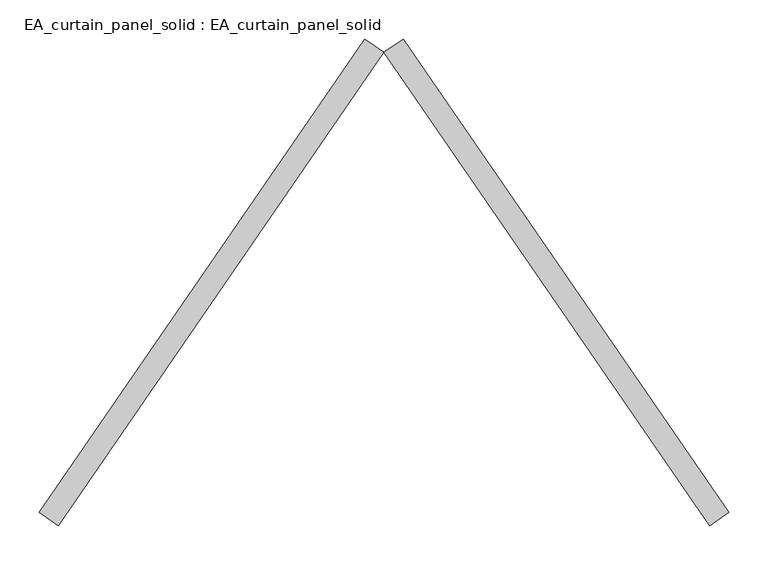
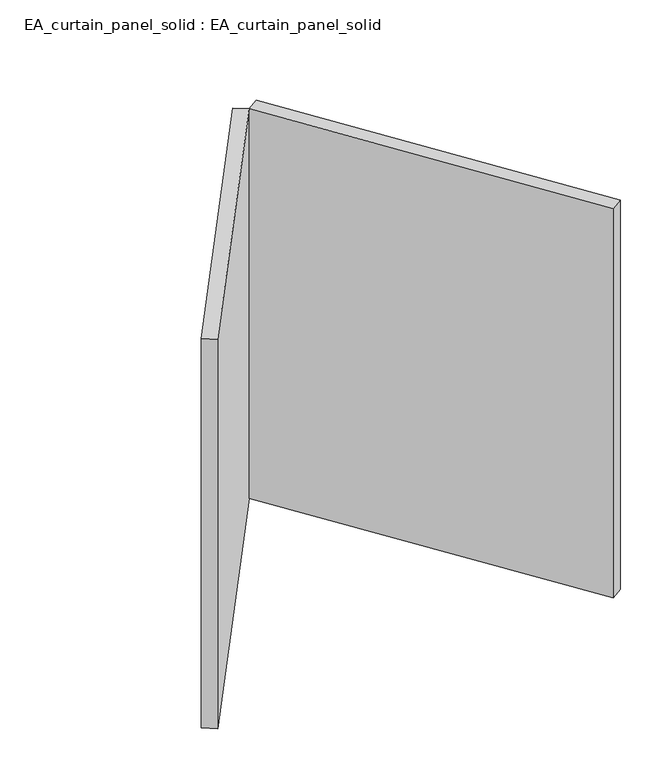
"""IFC4 building model written with IfcOpenShell, lengths in millimetres: plate geometry, EA_curtain_panel_solid : EA_curtain_panel_solid."""

from ifc_helpers import new_model, si_unit, origin, origin_with_axes, place, context, project, spatial, polyline, outline, extrude, source, transform, mapped, element, save


def ea_curtain_panel_solid_ea_curtain_panel_solid_a85a2056(model_context):
    return source(origin(), model_context, "Body", "SweptSolid", [
        extrude(outline(polyline([(-269.2752801, 605.7556365), (147.0, 0.0), (122.2752801, -16.9908278), (-294.0, 588.7648087), (-269.2752801, 605.7556365)])), origin_with_axes(), (0.0, 0.0, 1.0), 866.6666667),
        extrude(outline(polyline([(-318.7247199, 605.7556365), (-294.0, 588.7648087), (-710.2752801, -16.9908278), (-735.0, 0.0), (-318.7247199, 605.7556365)])), origin_with_axes(), (0.0, 0.0, 1.0), 866.6666667),
    ])


if __name__ == "__main__":
    model = new_model("IFC4")
    model_context = context("Model", 3, world=origin())
    ifc_project = project(units=[si_unit("LENGTHUNIT", "METRE", prefix="MILLI")], contexts=[model_context])
    site = spatial("IfcSite", under=ifc_project)
    building = spatial("IfcBuilding", under=site)
    placement = place(None, origin())
    ea_curtain_panel_solid_ea_curtain_panel_solid_shape = ea_curtain_panel_solid_ea_curtain_panel_solid_a85a2056(model_context)
    element("IfcPlate", 1, ObjectType="EA_curtain_panel_solid : EA_curtain_panel_solid", at=placement, inside=building, context=model_context, shape_type="MappedRepresentation", body=[
        mapped(ea_curtain_panel_solid_ea_curtain_panel_solid_shape, transform((0.0, 0.0, 0.0), x_axis=(1.0, 0.0, 0.0), y_axis=(0.0, 1.0, 0.0), z_axis=(0.0, 0.0, 1.0))),
    ])
    save(model, "model.ifc")
